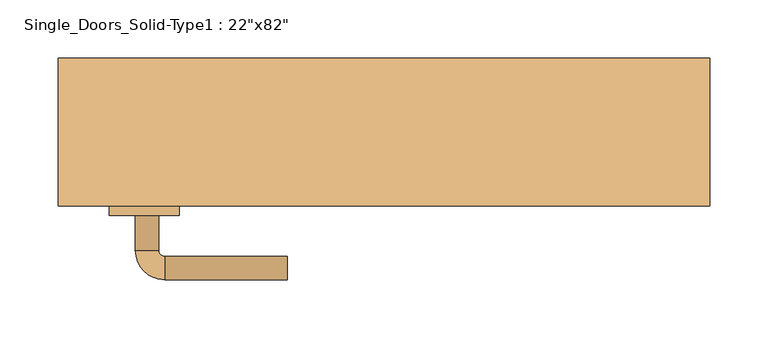
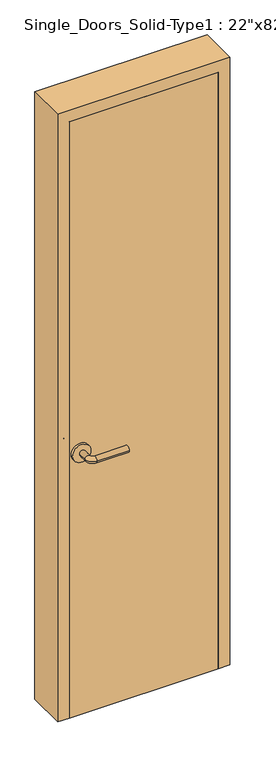
"""IFC4 building model written with IfcOpenShell, lengths in millimetres: door geometry."""

from ifc_helpers import new_model, si_unit, point, frame, frame_2d, origin, origin_with_axes, place, context, project, spatial, polyline, circle_curve, ellipse_curve, trimmed, segment, composite_curve, outline, extrude, faceted_brep, source, transform, mapped, element, save
from ifc_brep_helpers import plane_surface, cylinder_surface, revolved_surface, advanced_brep


def door_7da87813(model_context):
    return source(origin(), model_context, "Body", "SolidModel", [
        advanced_brep(
        [(-213.2, -17.4, 900.0), (-193.2, -17.4, 900.0), (-213.2, 12.6, 900.0), (-193.2, 12.6, 900.0), (-188.2, 17.6, 900.0), (-188.2, 37.6, 900.0), (-83.2, 37.6, 900.0), (-83.2, 17.6, 900.0)],
        [
            (0, 1, circle_curve(frame((-203.2, -17.4, 900.0), z_axis=(0.0, -1.0, 0.0), x_axis=(1.0, 0.0, 0.0)), 10.0)),
            (1, 0, circle_curve(frame((-203.2, -17.4, 900.0), z_axis=(0.0, -1.0, 0.0), x_axis=(1.0, 0.0, 0.0)), 10.0)),
            (0, 2),
            (2, 3, circle_curve(frame((-203.2, 12.6, 900.0), z_axis=(0.0, -1.0, 0.0), x_axis=(1.0, 0.0, 0.0)), 10.0)),
            (3, 1),
            (3, 2, circle_curve(frame((-203.2, 12.6, 900.0), z_axis=(0.0, -1.0, 0.0), x_axis=(1.0, 0.0, 0.0)), 10.0)),
            (4, 3, circle_curve(frame((-188.2, 12.6, 900.0), z_axis=(0.0, 0.0, 1.0), x_axis=(-1.0, 0.0, 0.0)), 5.0)),
            (2, 5, circle_curve(frame((-188.2, 12.6, 900.0), z_axis=(0.0, 0.0, -1.0), x_axis=(-1.0, 0.0, 0.0)), 25.0)),
            (5, 4, circle_curve(frame((-188.2, 27.6, 900.0), z_axis=(-1.0, 0.0, 0.0), x_axis=(0.0, -1.0, 0.0)), 10.0)),
            (4, 5, circle_curve(frame((-188.2, 27.6, 900.0), z_axis=(-1.0, 0.0, 0.0), x_axis=(0.0, -1.0, 0.0)), 10.0)),
            (6, 7, circle_curve(frame((-83.2, 27.6, 900.0), z_axis=(1.0, 0.0, 0.0), x_axis=(0.0, -1.0, 0.0)), 10.0)),
            (7, 6, circle_curve(frame((-83.2, 27.6, 900.0), z_axis=(1.0, 0.0, 0.0), x_axis=(0.0, -1.0, 0.0)), 10.0)),
            (5, 6),
            (7, 4),
        ],
        [
            plane_surface(frame((-203.2, -17.4, 900.0), z_axis=(0.0, -1.0, 0.0), x_axis=(0.0, 0.0, 1.0))),
            cylinder_surface(frame((-203.2, -17.4, 900.0), z_axis=(0.0, -1.0, 0.0), x_axis=(1.0, 0.0, 0.0)), 10.0),
            revolved_surface(trimmed(ellipse_curve(frame((-203.2, 12.6, 900.0), z_axis=(0.0, -1.0, 0.0), x_axis=(1.0, 0.0, 0.0)), 10.0, 10.0), [point((-213.2, 12.6, 900.0))], [point((-193.2, 12.6, 900.0))], True, "CARTESIAN"), (-188.2, 12.6, 900.0), (0.0, 0.0, -1.0)),
            revolved_surface(trimmed(ellipse_curve(frame((-203.2, 12.6, 900.0), z_axis=(0.0, -1.0, 0.0), x_axis=(1.0, 0.0, 0.0)), 10.0, 10.0), [point((-193.2, 12.6, 900.0))], [point((-213.2, 12.6, 900.0))], True, "CARTESIAN"), (-188.2, 12.6, 900.0), (0.0, 0.0, -1.0)),
            plane_surface(frame((-83.2, 27.6, 900.0), z_axis=(1.0, 0.0, 0.0), x_axis=(0.0, 0.0, 1.0))),
            cylinder_surface(frame((-188.2, 27.6, 900.0), z_axis=(-1.0, 0.0, 0.0), x_axis=(0.0, -1.0, 0.0)), 10.0),
        ],
        [
            (0, [[1, 2]]),
            (1, [[-1, 3, 4, 5]]),
            (1, [[-2, -5, 6, -3]]),
            (2, [[7, -4, 8, 9]]),
            (3, [[-8, -6, -7, 10]]),
            (4, [[11, 12]]),
            (5, [[-9, 13, -12, 14]]),
            (5, [[-10, -14, -11, -13]]),
        ],
    ),
        extrude(outline(composite_curve([segment(trimmed(circle_curve(frame_2d((900.0, -205.7)), 30.0), [point((900.0, -235.7))], [point((900.0, -175.7))], False, "CARTESIAN"), True, "CONTINUOUS"), segment(trimmed(circle_curve(frame_2d((900.0, -205.7)), 30.0), [point((900.0, -175.7))], [point((900.0, -235.7))], False, "CARTESIAN"), True, "CONTINUOUS")], self_intersect=False)), frame((0.0, -25.4, 0.0), z_axis=(0.0, 1.0, 0.0), x_axis=(0.0, 0.0, 1.0)), (0.0, 0.0, 1.0), 8.0),
        advanced_brep(
        [(-213.2, -71.5, 900.0), (-193.2, -71.5, 900.0), (-193.2, -101.5, 900.0), (-213.2, -101.5, 900.0), (-188.2, -106.5, 900.0), (-188.2, -126.5, 900.0), (-83.2, -126.5, 900.0), (-83.2, -106.5, 900.0)],
        [
            (0, 1, circle_curve(frame((-203.2, -71.5, 900.0), z_axis=(0.0, 1.0, 0.0), x_axis=(1.0, 0.0, 0.0)), 10.0)),
            (1, 0, circle_curve(frame((-203.2, -71.5, 900.0), z_axis=(0.0, 1.0, 0.0), x_axis=(1.0, 0.0, 0.0)), 10.0)),
            (1, 2),
            (2, 3, circle_curve(frame((-203.2, -101.5, 900.0), z_axis=(0.0, 1.0, 0.0), x_axis=(1.0, 0.0, 0.0)), 10.0)),
            (3, 0),
            (3, 2, circle_curve(frame((-203.2, -101.5, 900.0), z_axis=(0.0, 1.0, 0.0), x_axis=(1.0, 0.0, 0.0)), 10.0)),
            (4, 5, circle_curve(frame((-188.2, -116.5, 900.0), z_axis=(-1.0, 0.0, 0.0), x_axis=(0.0, 1.0, 0.0)), 10.0)),
            (5, 3, circle_curve(frame((-188.2, -101.5, 900.0), z_axis=(0.0, 0.0, -1.0), x_axis=(-1.0, 0.0, 0.0)), 25.0)),
            (2, 4, circle_curve(frame((-188.2, -101.5, 900.0), z_axis=(0.0, 0.0, 1.0), x_axis=(-1.0, 0.0, 0.0)), 5.0)),
            (5, 4, circle_curve(frame((-188.2, -116.5, 900.0), z_axis=(-1.0, 0.0, 0.0), x_axis=(0.0, 1.0, 0.0)), 10.0)),
            (6, 7, circle_curve(frame((-83.2, -116.5, 900.0), z_axis=(1.0, 0.0, 0.0), x_axis=(0.0, 1.0, 0.0)), 10.0)),
            (7, 6, circle_curve(frame((-83.2, -116.5, 900.0), z_axis=(1.0, 0.0, 0.0), x_axis=(0.0, 1.0, 0.0)), 10.0)),
            (4, 7),
            (6, 5),
        ],
        [
            plane_surface(frame((-203.2, -71.5, 900.0), z_axis=(0.0, 1.0, 0.0), x_axis=(0.0, 0.0, 1.0))),
            cylinder_surface(frame((-203.2, -71.5, 900.0), z_axis=(0.0, 1.0, 0.0), x_axis=(1.0, 0.0, 0.0)), 10.0),
            revolved_surface(trimmed(ellipse_curve(frame((-203.2, -101.5, 900.0), z_axis=(0.0, -1.0, 0.0), x_axis=(1.0, 0.0, 0.0)), 10.0, 10.0), [point((-213.2, -101.5, 900.0))], [point((-193.2, -101.5, 900.0))], True, "CARTESIAN"), (-188.2, -101.5, 900.0), (0.0, 0.0, -1.0)),
            revolved_surface(trimmed(ellipse_curve(frame((-203.2, -101.5, 900.0), z_axis=(0.0, -1.0, 0.0), x_axis=(1.0, 0.0, 0.0)), 10.0, 10.0), [point((-193.2, -101.5, 900.0))], [point((-213.2, -101.5, 900.0))], True, "CARTESIAN"), (-188.2, -101.5, 900.0), (0.0, 0.0, -1.0)),
            plane_surface(frame((-83.2, -116.5, 900.0), z_axis=(1.0, 0.0, 0.0), x_axis=(0.0, 0.0, 1.0))),
            cylinder_surface(frame((-188.2, -116.5, 900.0), z_axis=(-1.0, 0.0, 0.0), x_axis=(0.0, 1.0, 0.0)), 10.0),
        ],
        [
            (0, [[1, 2]]),
            (1, [[3, 4, 5, -2]]),
            (1, [[-5, 6, -3, -1]]),
            (2, [[7, 8, -4, 9]]),
            (3, [[10, -9, -6, -8]]),
            (4, [[11, 12]]),
            (5, [[13, -11, 14, -7]]),
            (5, [[-14, -12, -13, -10]]),
        ],
    ),
        extrude(outline(composite_curve([segment(trimmed(circle_curve(frame_2d((900.0, -205.7)), 30.0), [point((900.0, -235.7))], [point((900.0, -175.7))], False, "CARTESIAN"), True, "CONTINUOUS"), segment(trimmed(circle_curve(frame_2d((900.0, -205.7)), 30.0), [point((900.0, -175.7))], [point((900.0, -235.7))], False, "CARTESIAN"), True, "CONTINUOUS")], self_intersect=False)), frame((0.0, -71.5, 0.0), z_axis=(0.0, 1.0, 0.0), x_axis=(0.0, 0.0, 1.0)), (0.0, 0.0, 1.0), 8.0),
        faceted_brep([(-279.4, 63.5, 0.0), (-241.3, 63.5, 0.0), (-241.3, 12.7, 0.0), (-215.9, 12.7, 0.0), (-215.9, -25.4, 0.0), (-241.3, -25.4, 0.0), (-241.3, -63.5, 0.0), (-279.4, -63.5, 0.0), (-279.4, -63.5, 2082.8), (-279.4, 63.5, 2082.8), (-241.3, -63.5, 2044.7), (241.3, -63.5, 2044.7), (241.3, -63.5, 0.0), (279.4, -63.5, 0.0), (279.4, -63.5, 2082.8), (-241.3, -25.4, 2044.7), (-215.9, -25.4, 2019.3), (215.9, -25.4, 2019.3), (215.9, -25.4, 0.0), (241.3, -25.4, 0.0), (241.3, -25.4, 2044.7), (-215.9, 12.7, 2019.3), (-241.3, 12.7, 2044.7), (241.3, 12.7, 2044.7), (241.3, 12.7, 0.0), (215.9, 12.7, 0.0), (215.9, 12.7, 2019.3), (-241.3, 63.5, 2044.7), (279.4, 63.5, 2082.8), (279.4, 63.5, 0.0), (241.3, 63.5, 0.0), (241.3, 63.5, 2044.7)], [[[0, 1, 2, 3, 4, 5, 6, 7]], [[7, 8, 9, 0]], [[6, 10, 11, 12, 13, 14, 8, 7]], [[5, 15, 10, 6]], [[4, 16, 17, 18, 19, 20, 15, 5]], [[3, 21, 16, 4]], [[2, 22, 23, 24, 25, 26, 21, 3]], [[1, 27, 22, 2]], [[0, 9, 28, 29, 30, 31, 27, 1]], [[14, 13, 29, 28]], [[29, 13, 12, 19, 18, 25, 24, 30]], [[20, 19, 12, 11]], [[26, 25, 18, 17]], [[31, 30, 24, 23]], [[8, 14, 28, 9]], [[15, 20, 11, 10]], [[21, 26, 17, 16]], [[27, 31, 23, 22]]]),
        extrude(outline(polyline([(241.3, -25.4), (241.3, -63.5), (-241.3, -63.5), (-241.3, -25.4), (241.3, -25.4)])), origin_with_axes(), (0.0, 0.0, 1.0), 2044.7),
    ])


if __name__ == "__main__":
    model = new_model("IFC4")
    model_context = context("Model", 3, world=origin())
    ifc_project = project(units=[si_unit("LENGTHUNIT", "METRE", prefix="MILLI")], contexts=[model_context])
    site = spatial("IfcSite", under=ifc_project)
    building = spatial("IfcBuilding", under=site)
    placement = place(None, origin())
    door_shape = door_7da87813(model_context)
    element("IfcDoor", 1, ObjectType="Single_Doors_Solid-Type1 : 22\"x82\"", at=placement, inside=building, context=model_context, shape_type="MappedRepresentation", body=[
        mapped(door_shape, transform((0.0, 0.0, 0.0), x_axis=(1.0, 0.0, 0.0), y_axis=(0.0, 1.0, 0.0), z_axis=(0.0, 0.0, 1.0))),
    ])
    save(model, "model.ifc")
